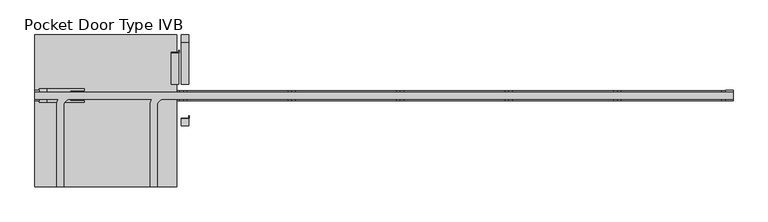
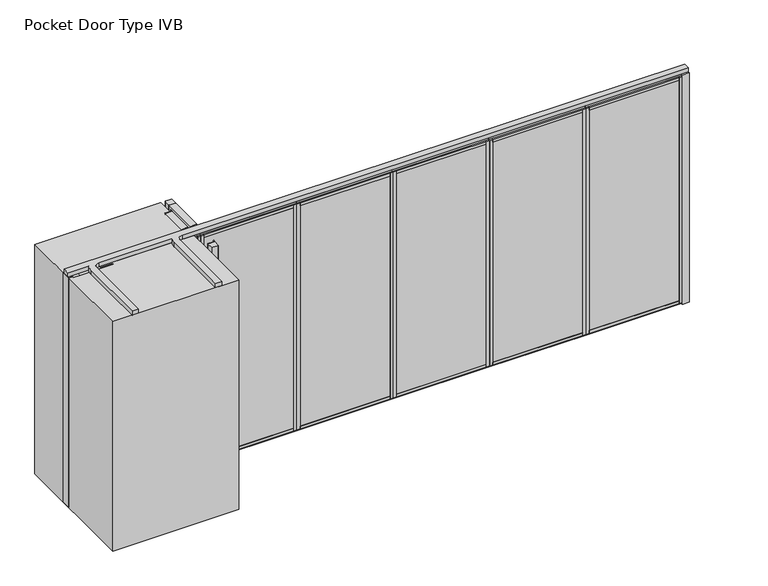
"""IFC4 building model written with IfcOpenShell, lengths in millimetres: proxy geometry, Pocket Door Type IVB."""

from ifc_helpers import new_model, si_unit, point, frame, frame_2d, origin, origin_with_axes, place, context, project, spatial, polyline, circle_curve, trimmed, segment, composite_curve, outline, extrude, source, transform, mapped, element, save


def pocket_door_type_ivb_309cc316(model_context):
    return source(origin(), model_context, "Body", "SweptSolid", [
        extrude(outline(polyline([(3307.761883, 34.13125), (4396.2577164, 34.13125), (4396.2577164, -34.13125), (3307.761883, -34.13125), (3307.761883, 34.13125)])), origin_with_axes(), (0.0, 0.0, 1.0), 22.225),
        extrude(outline(polyline([(3307.761883, 34.13125), (4396.2577164, 34.13125), (4396.2577164, -34.13125), (3307.761883, -34.13125), (3307.761883, 34.13125)])), frame((0.0, 0.0, 2720.975), z_axis=(0.0, 0.0, 1.0), x_axis=(1.0, 0.0, 0.0)), (0.0, 0.0, 1.0), 22.225),
        extrude(outline(polyline([(3342.940883, -50.8), (3308.015883, -50.8), (3308.015883, 50.8), (3342.940883, 50.8), (3342.940883, -50.8)])), frame((0.0, 0.0, 22.225), z_axis=(0.0, 0.0, 1.0), x_axis=(1.0, 0.0, 0.0)), (0.0, 0.0, 1.0), 2698.75),
        extrude(outline(polyline([(4361.0787164, -50.8), (4361.0787164, 50.8), (4396.0037164, 50.8), (4396.0037164, -50.8), (4361.0787164, -50.8)])), frame((0.0, 0.0, 22.225), z_axis=(0.0, 0.0, 1.0), x_axis=(1.0, 0.0, 0.0)), (0.0, 0.0, 1.0), 2698.75),
        extrude(outline(polyline([(0.0, 9.525), (1063.0958334, 9.525), (1063.0958334, 0.0), (0.0, 0.0), (0.0, 9.525)])), frame((4383.5577164, -36.5125, 52.3875), z_axis=(0.0, 1.4530598946293796e-12, 1.0), x_axis=(-1.0, 0.0, 0.0)), (0.0, 0.0, 1.0), 2638.425),
        extrude(outline(polyline([(0.0, 7.9375), (1063.0958334, 7.9375), (1063.0958334, 0.0), (0.0, 0.0), (0.0, 7.9375)])), frame((4383.5577164, 44.45, 52.3875), z_axis=(0.0, -1.775646296664526e-12, 1.0), x_axis=(-1.0, 0.0, 0.0)), (0.0, 0.0, 1.0), 2638.425),
        extrude(outline(polyline([(36.5125, 2605.0875), (-36.5125, 2605.0875), (-36.5125, 2690.8125), (-50.8, 2690.8125), (-50.8, 2720.975), (50.8, 2720.975), (50.8, 2690.8125), (36.5125, 2690.8125), (36.5125, 2605.0875)])), frame((3342.940883, 0.0, 0.0), z_axis=(1.0, 0.0, 0.0), x_axis=(0.0, 1.0, 0.0)), (0.0, 0.0, 1.0), 1018.1378333),
        extrude(outline(polyline([(50.8, 22.225), (-50.8, 22.225), (-50.8, 52.3875), (-36.5125, 52.3875), (-36.5125, 138.1125), (36.5125, 138.1125), (36.5125, 52.3875), (50.8, 52.3875), (50.8, 22.225)])), frame((3342.940883, 0.0, 0.0), z_axis=(1.0, 0.0, 0.0), x_axis=(0.0, 1.0, 0.0)), (0.0, 0.0, 1.0), 1018.1378333),
        extrude(outline(polyline([(2219.2660497, 34.13125), (3307.761883, 34.13125), (3307.761883, -34.13125), (2219.2660497, -34.13125), (2219.2660497, 34.13125)])), origin_with_axes(), (0.0, 0.0, 1.0), 22.225),
        extrude(outline(polyline([(2219.2660497, 34.13125), (3307.761883, 34.13125), (3307.761883, -34.13125), (2219.2660497, -34.13125), (2219.2660497, 34.13125)])), frame((0.0, 0.0, 2720.975), z_axis=(0.0, 0.0, 1.0), x_axis=(1.0, 0.0, 0.0)), (0.0, 0.0, 1.0), 22.225),
        extrude(outline(polyline([(2254.4450497, -50.8), (2219.5200497, -50.8), (2219.5200497, 50.8), (2254.4450497, 50.8), (2254.4450497, -50.8)])), frame((0.0, 0.0, 22.225), z_axis=(0.0, 0.0, 1.0), x_axis=(1.0, 0.0, 0.0)), (0.0, 0.0, 1.0), 2698.75),
        extrude(outline(polyline([(3272.582883, -50.8), (3272.582883, 50.8), (3307.507883, 50.8), (3307.507883, -50.8), (3272.582883, -50.8)])), frame((0.0, 0.0, 22.225), z_axis=(0.0, 0.0, 1.0), x_axis=(1.0, 0.0, 0.0)), (0.0, 0.0, 1.0), 2698.75),
        extrude(outline(polyline([(0.0, 9.525), (1063.0958333, 9.525), (1063.0958333, 0.0), (0.0, 0.0), (0.0, 9.525)])), frame((3295.061883, -36.5125, 52.3875), z_axis=(0.0, 1.4530598946293796e-12, 1.0), x_axis=(-1.0, 0.0, 0.0)), (0.0, 0.0, 1.0), 2638.425),
        extrude(outline(polyline([(0.0, 7.9375), (1063.0958333, 7.9375), (1063.0958333, 0.0), (0.0, 0.0), (0.0, 7.9375)])), frame((3295.061883, 44.45, 52.3875), z_axis=(0.0, -1.775646296664526e-12, 1.0), x_axis=(-1.0, 0.0, 0.0)), (0.0, 0.0, 1.0), 2638.425),
        extrude(outline(polyline([(36.5125, 2605.0875), (-36.5125, 2605.0875), (-36.5125, 2690.8125), (-50.8, 2690.8125), (-50.8, 2720.975), (50.8, 2720.975), (50.8, 2690.8125), (36.5125, 2690.8125), (36.5125, 2605.0875)])), frame((2254.4450497, 0.0, 0.0), z_axis=(1.0, 0.0, 0.0), x_axis=(0.0, 1.0, 0.0)), (0.0, 0.0, 1.0), 1018.1378333),
        extrude(outline(polyline([(50.8, 22.225), (-50.8, 22.225), (-50.8, 52.3875), (-36.5125, 52.3875), (-36.5125, 138.1125), (36.5125, 138.1125), (36.5125, 52.3875), (50.8, 52.3875), (50.8, 22.225)])), frame((2254.4450497, 0.0, 0.0), z_axis=(1.0, 0.0, 0.0), x_axis=(0.0, 1.0, 0.0)), (0.0, 0.0, 1.0), 1018.1378333),
        extrude(outline(polyline([(1130.7702164, 34.13125), (2219.2660497, 34.13125), (2219.2660497, -34.13125), (1130.7702164, -34.13125), (1130.7702164, 34.13125)])), origin_with_axes(), (0.0, 0.0, 1.0), 22.225),
        extrude(outline(polyline([(1130.7702164, 34.13125), (2219.2660497, 34.13125), (2219.2660497, -34.13125), (1130.7702164, -34.13125), (1130.7702164, 34.13125)])), frame((0.0, 0.0, 2720.975), z_axis=(0.0, 0.0, 1.0), x_axis=(1.0, 0.0, 0.0)), (0.0, 0.0, 1.0), 22.225),
        extrude(outline(polyline([(1165.9492164, -50.8), (1131.0242164, -50.8), (1131.0242164, 50.8), (1165.9492164, 50.8), (1165.9492164, -50.8)])), frame((0.0, 0.0, 22.225), z_axis=(0.0, 0.0, 1.0), x_axis=(1.0, 0.0, 0.0)), (0.0, 0.0, 1.0), 2698.75),
        extrude(outline(polyline([(2184.0870497, -50.8), (2184.0870497, 50.8), (2219.0120497, 50.8), (2219.0120497, -50.8), (2184.0870497, -50.8)])), frame((0.0, 0.0, 22.225), z_axis=(0.0, 0.0, 1.0), x_axis=(1.0, 0.0, 0.0)), (0.0, 0.0, 1.0), 2698.75),
        extrude(outline(polyline([(0.0, 9.525), (1063.0958333, 9.525), (1063.0958333, 0.0), (0.0, 0.0), (0.0, 9.525)])), frame((2206.5660497, -36.5125, 52.3875), z_axis=(0.0, 1.4530598946293796e-12, 1.0), x_axis=(-1.0, 0.0, 0.0)), (0.0, 0.0, 1.0), 2638.425),
        extrude(outline(polyline([(0.0, 7.9375), (1063.0958333, 7.9375), (1063.0958333, 0.0), (0.0, 0.0), (0.0, 7.9375)])), frame((2206.5660497, 44.45, 52.3875), z_axis=(0.0, -1.775646296664526e-12, 1.0), x_axis=(-1.0, 0.0, 0.0)), (0.0, 0.0, 1.0), 2638.425),
        extrude(outline(polyline([(36.5125, 2605.0875), (-36.5125, 2605.0875), (-36.5125, 2690.8125), (-50.8, 2690.8125), (-50.8, 2720.975), (50.8, 2720.975), (50.8, 2690.8125), (36.5125, 2690.8125), (36.5125, 2605.0875)])), frame((1165.9492164, 0.0, 0.0), z_axis=(1.0, 0.0, 0.0), x_axis=(0.0, 1.0, 0.0)), (0.0, 0.0, 1.0), 1018.1378333),
        extrude(outline(polyline([(50.8, 22.225), (-50.8, 22.225), (-50.8, 52.3875), (-36.5125, 52.3875), (-36.5125, 138.1125), (36.5125, 138.1125), (36.5125, 52.3875), (50.8, 52.3875), (50.8, 22.225)])), frame((1165.9492164, 0.0, 0.0), z_axis=(1.0, 0.0, 0.0), x_axis=(0.0, 1.0, 0.0)), (0.0, 0.0, 1.0), 1018.1378333),
        extrude(outline(polyline([(4396.2577164, 34.13125), (5484.7535497, 34.13125), (5484.7535497, -34.13125), (4396.2577164, -34.13125), (4396.2577164, 34.13125)])), origin_with_axes(), (0.0, 0.0, 1.0), 22.225),
        extrude(outline(polyline([(4396.2577164, 34.13125), (5484.7535497, 34.13125), (5484.7535497, -34.13125), (4396.2577164, -34.13125), (4396.2577164, 34.13125)])), frame((0.0, 0.0, 2720.975), z_axis=(0.0, 0.0, 1.0), x_axis=(1.0, 0.0, 0.0)), (0.0, 0.0, 1.0), 22.225),
        extrude(outline(polyline([(4431.4367164, -50.8), (4396.5117164, -50.8), (4396.5117164, 50.8), (4431.4367164, 50.8), (4431.4367164, -50.8)])), frame((0.0, 0.0, 22.225), z_axis=(0.0, 0.0, 1.0), x_axis=(1.0, 0.0, 0.0)), (0.0, 0.0, 1.0), 2698.75),
        extrude(outline(polyline([(5449.5745497, -50.8), (5449.5745497, 50.8), (5484.4995497, 50.8), (5484.4995497, -50.8), (5449.5745497, -50.8)])), frame((0.0, 0.0, 22.225), z_axis=(0.0, 0.0, 1.0), x_axis=(1.0, 0.0, 0.0)), (0.0, 0.0, 1.0), 2698.75),
        extrude(outline(polyline([(0.0, 9.525), (1063.0958333, 9.525), (1063.0958333, 0.0), (0.0, 0.0), (0.0, 9.525)])), frame((5472.0535497, -36.5125, 52.3875), z_axis=(0.0, 1.4530598946293796e-12, 1.0), x_axis=(-1.0, 0.0, 0.0)), (0.0, 0.0, 1.0), 2638.425),
        extrude(outline(polyline([(0.0, 7.9375), (1063.0958333, 7.9375), (1063.0958333, 0.0), (0.0, 0.0), (0.0, 7.9375)])), frame((5472.0535497, 44.45, 52.3875), z_axis=(0.0, -1.775646296664526e-12, 1.0), x_axis=(-1.0, 0.0, 0.0)), (0.0, 0.0, 1.0), 2638.425),
        extrude(outline(polyline([(36.5125, 2605.0875), (-36.5125, 2605.0875), (-36.5125, 2690.8125), (-50.8, 2690.8125), (-50.8, 2720.975), (50.8, 2720.975), (50.8, 2690.8125), (36.5125, 2690.8125), (36.5125, 2605.0875)])), frame((4431.4367164, 0.0, 0.0), z_axis=(1.0, 0.0, 0.0), x_axis=(0.0, 1.0, 0.0)), (0.0, 0.0, 1.0), 1018.1378333),
        extrude(outline(polyline([(50.8, 22.225), (-50.8, 22.225), (-50.8, 52.3875), (-36.5125, 52.3875), (-36.5125, 138.1125), (36.5125, 138.1125), (36.5125, 52.3875), (50.8, 52.3875), (50.8, 22.225)])), frame((4431.4367164, 0.0, 0.0), z_axis=(1.0, 0.0, 0.0), x_axis=(0.0, 1.0, 0.0)), (0.0, 0.0, 1.0), 1018.1378333),
        extrude(outline(polyline([(-4.8214503, 434.975), (-4.8214503, 457.2), (-1.6464503, 457.2), (-1.6464503, 431.8), (-81.0214503, 431.8), (-81.0214503, 434.975), (-4.8214503, 434.975)])), origin_with_axes(), (0.0, 0.0, 1.0), 2743.2),
        extrude(outline(composite_curve([segment(trimmed(circle_curve(frame_2d((-78.6882434, 429.4667931)), 2.3332069), [point((-81.0214503, 429.4667931))], [point((-78.6882434, 431.8))], False, "CARTESIAN"), True, "CONTINUOUS"), segment(polyline([(-78.6882434, 431.8), (-7.1546571, 431.8)]), True, "CONTINUOUS"), segment(trimmed(circle_curve(frame_2d((-7.1546571, 429.4667931)), 2.3332069), [point((-7.1546571, 431.8))], [point((-4.8214503, 429.4667931))], False, "CARTESIAN"), True, "CONTINUOUS"), segment(polyline([(-4.8214503, 429.4667931), (-4.8214503, 116.6332069)]), True, "CONTINUOUS"), segment(trimmed(circle_curve(frame_2d((-7.1546571, 116.6332069)), 2.3332069), [point((-4.8214503, 116.6332069))], [point((-7.1546571, 114.3))], False, "CARTESIAN"), True, "CONTINUOUS"), segment(polyline([(-7.1546571, 114.3), (-78.6882434, 114.3)]), True, "CONTINUOUS"), segment(trimmed(circle_curve(frame_2d((-78.6882434, 116.6332069)), 2.3332069), [point((-78.6882434, 114.3))], [point((-81.0214503, 116.6332069))], False, "CARTESIAN"), True, "CONTINUOUS"), segment(polyline([(-81.0214503, 116.6332069), (-81.0214503, 429.4667931)]), True, "CONTINUOUS")], self_intersect=False)), origin_with_axes(), (0.0, 0.0, 1.0), 2743.2),
        extrude(outline(polyline([(96.7785497, -225.425), (96.7785497, -203.2), (99.9535497, -203.2), (99.9535497, -228.6), (20.5785497, -228.6), (20.5785497, -225.425), (96.7785497, -225.425)])), origin_with_axes(), (0.0, 0.0, 1.0), 2743.2),
        extrude(outline(composite_curve([segment(trimmed(circle_curve(frame_2d((94.4453429, -302.4667931)), 2.3332069), [point((96.7785497, -302.4667931))], [point((94.4453429, -304.8))], False, "CARTESIAN"), True, "CONTINUOUS"), segment(polyline([(94.4453429, -304.8), (22.9117566, -304.8)]), True, "CONTINUOUS"), segment(trimmed(circle_curve(frame_2d((22.9117566, -302.4667931)), 2.3332069), [point((22.9117566, -304.8))], [point((20.5785497, -302.4667931))], False, "CARTESIAN"), True, "CONTINUOUS"), segment(polyline([(20.5785497, -302.4667931), (20.5785497, -230.9332069)]), True, "CONTINUOUS"), segment(trimmed(circle_curve(frame_2d((22.9117566, -230.9332069)), 2.3332069), [point((20.5785497, -230.9332069))], [point((22.9117566, -228.6))], False, "CARTESIAN"), True, "CONTINUOUS"), segment(polyline([(22.9117566, -228.6), (94.4453429, -228.6)]), True, "CONTINUOUS"), segment(trimmed(circle_curve(frame_2d((94.4453429, -230.9332069)), 2.3332069), [point((94.4453429, -228.6))], [point((96.7785497, -230.9332069))], False, "CARTESIAN"), True, "CONTINUOUS"), segment(polyline([(96.7785497, -230.9332069), (96.7785497, -302.4667931)]), True, "CONTINUOUS")], self_intersect=False)), origin_with_axes(), (0.0, 0.0, 1.0), 2743.2),
        extrude(outline(composite_curve([segment(trimmed(circle_curve(frame_2d((94.4453429, 535.7332069)), 2.3332069), [point((96.7785497, 535.7332069))], [point((94.4453429, 533.4))], False, "CARTESIAN"), True, "CONTINUOUS"), segment(polyline([(94.4453429, 533.4), (22.9117566, 533.4)]), True, "CONTINUOUS"), segment(trimmed(circle_curve(frame_2d((22.9117566, 535.7332069)), 2.3332069), [point((22.9117566, 533.4))], [point((20.5785497, 535.7332069))], False, "CARTESIAN"), True, "CONTINUOUS"), segment(polyline([(20.5785497, 535.7332069), (20.5785497, 607.2667931)]), True, "CONTINUOUS"), segment(trimmed(circle_curve(frame_2d((22.9117566, 607.2667931)), 2.3332069), [point((20.5785497, 607.2667931))], [point((22.9117566, 609.6))], False, "CARTESIAN"), True, "CONTINUOUS"), segment(polyline([(22.9117566, 609.6), (94.4453429, 609.6)]), True, "CONTINUOUS"), segment(trimmed(circle_curve(frame_2d((94.4453429, 607.2667931)), 2.3332069), [point((94.4453429, 609.6))], [point((96.7785497, 607.2667931))], False, "CARTESIAN"), True, "CONTINUOUS"), segment(polyline([(96.7785497, 607.2667931), (96.7785497, 535.7332069)]), True, "CONTINUOUS")], self_intersect=False)), origin_with_axes(), (0.0, 0.0, 1.0), 2743.2),
        extrude(outline(composite_curve([segment(trimmed(circle_curve(frame_2d((94.4453429, 116.6332069)), 2.3332069), [point((96.7785497, 116.6332069))], [point((94.4453429, 114.3))], False, "CARTESIAN"), True, "CONTINUOUS"), segment(polyline([(94.4453429, 114.3), (22.9117566, 114.3)]), True, "CONTINUOUS"), segment(trimmed(circle_curve(frame_2d((22.9117566, 116.6332069)), 2.3332069), [point((22.9117566, 114.3))], [point((20.5785497, 116.6332069))], False, "CARTESIAN"), True, "CONTINUOUS"), segment(polyline([(20.5785497, 116.6332069), (20.5785497, 531.0667931)]), True, "CONTINUOUS"), segment(trimmed(circle_curve(frame_2d((22.9117566, 531.0667931)), 2.3332069), [point((20.5785497, 531.0667931))], [point((22.9117566, 533.4))], False, "CARTESIAN"), True, "CONTINUOUS"), segment(polyline([(22.9117566, 533.4), (94.4453429, 533.4)]), True, "CONTINUOUS"), segment(trimmed(circle_curve(frame_2d((94.4453429, 531.0667931)), 2.3332069), [point((94.4453429, 533.4))], [point((96.7785497, 531.0667931))], False, "CARTESIAN"), True, "CONTINUOUS"), segment(polyline([(96.7785497, 531.0667931), (96.7785497, 116.6332069)]), True, "CONTINUOUS")], self_intersect=False)), origin_with_axes(), (0.0, 0.0, 1.0), 2743.2),
        extrude(outline(polyline([(-44.846875, 914.4), (-44.846875, 952.5), (-50.8, 952.5), (-50.8, 1143.0), (-44.846875, 1143.0), (-44.846875, 1181.1), (0.0, 1181.1), (46.2359375, 1181.1), (46.2359375, 1143.0), (50.8, 1143.0), (50.8, 952.5), (46.2359375, 952.5), (46.2359375, 914.4), (0.0, 914.4), (-44.846875, 914.4)])), frame((-1058.6674503, 0.0, 0.0), z_axis=(1.0, 0.0, 0.0), x_axis=(0.0, 1.0, 0.0)), (0.0, 0.0, 1.0), 1065.7628333),
        extrude(outline(polyline([(42.274383, -34.13125), (-1093.8464503, -34.13125), (-1093.8464503, 34.13125), (42.274383, 34.13125), (42.274383, -34.13125)])), origin_with_axes(), (0.0, 0.0, 1.0), 22.225),
        extrude(outline(polyline([(42.274383, -34.13125), (-1093.8464503, -34.13125), (-1093.8464503, 34.13125), (42.274383, 34.13125), (42.274383, -34.13125)])), frame((0.0, 0.0, 2720.975), z_axis=(0.0, 0.0, 1.0), x_axis=(1.0, 0.0, 0.0)), (0.0, 0.0, 1.0), 22.225),
        extrude(outline(polyline([(7.095383, 50.8), (42.020383, 50.8), (42.020383, -50.8), (7.095383, -50.8), (7.095383, 50.8)])), frame((0.0, 0.0, 22.225), z_axis=(0.0, 0.0, 1.0), x_axis=(1.0, 0.0, 0.0)), (0.0, 0.0, 1.0), 2698.75),
        extrude(outline(polyline([(-1058.6674503, 50.8), (-1058.6674503, -50.8), (-1093.5924503, -50.8), (-1093.5924503, 50.8), (-1058.6674503, 50.8)])), frame((0.0, 0.0, 22.225), z_axis=(0.0, 0.0, 1.0), x_axis=(1.0, 0.0, 0.0)), (0.0, 0.0, 1.0), 2698.75),
        extrude(outline(polyline([(0.0, 9.525), (1110.7208333, 9.525), (1110.7208333, 0.0), (0.0, 0.0), (0.0, 9.525)])), frame((-1081.1464503, 36.5125, 52.3875), z_axis=(0.0, -1.4530598946293796e-12, 1.0), x_axis=(1.0, 0.0, 0.0)), (0.0, 0.0, 1.0), 2638.425),
        extrude(outline(polyline([(0.0, 7.9375), (1110.7208333, 7.9375), (1110.7208333, 0.0), (0.0, 0.0), (0.0, 7.9375)])), frame((-1081.1464503, -44.45, 52.3875), z_axis=(0.0, 1.775646296664526e-12, 1.0), x_axis=(1.0, 0.0, 0.0)), (0.0, 0.0, 1.0), 2638.425),
        extrude(outline(polyline([(-36.5125, 2605.0875), (-36.5125, 2690.8125), (-50.8, 2690.8125), (-50.8, 2720.975), (50.8, 2720.975), (50.8, 2690.8125), (36.5125, 2690.8125), (36.5125, 2605.0875), (-36.5125, 2605.0875)])), frame((-1058.6674503, 0.0, 0.0), z_axis=(1.0, 0.0, 0.0), x_axis=(0.0, 1.0, 0.0)), (0.0, 0.0, 1.0), 1065.7628333),
        extrude(outline(polyline([(-50.8, 22.225), (-50.8, 52.3875), (-36.5125, 52.3875), (-36.5125, 138.1125), (36.5125, 138.1125), (36.5125, 52.3875), (50.8, 52.3875), (50.8, 22.225), (-50.8, 22.225)])), frame((-1058.6674503, 0.0, 0.0), z_axis=(1.0, 0.0, 0.0), x_axis=(0.0, 1.0, 0.0)), (0.0, 0.0, 1.0), 1065.7628333),
        extrude(outline(polyline([(-1404.9964503, -53.975), (-1449.4464503, -53.975), (-1449.4464503, 53.975), (-1404.9964503, 53.975), (-1404.9964503, -53.975)])), origin_with_axes(), (0.0, 0.0, 1.0), 2743.2),
        extrude(outline(polyline([(-1331.9714503, -68.2625), (-1404.9964503, -68.2625), (-1404.9964503, 68.2625), (-1331.9714503, 68.2625), (-1331.9714503, -68.2625)])), origin_with_axes(), (0.0, 0.0, 1.0), 2743.2),
        extrude(outline(polyline([(-954.1464503, -68.2625), (-1331.9714503, -68.2625), (-1331.9714503, 68.2625), (-954.1464503, 68.2625), (-954.1464503, 50.8), (-1093.8464503, 50.8), (-1093.8464503, -50.8), (-954.1464503, -50.8), (-954.1464503, -68.2625)])), origin_with_axes(), (0.0, 0.0, 1.0), 2743.2),
        extrude(outline(polyline([(5560.9535497, -53.975), (5484.7535497, -53.975), (5484.7535497, 53.975), (5560.9535497, 53.975), (5560.9535497, -53.975)])), origin_with_axes(), (0.0, 0.0, 1.0), 2743.2),
        extrude(outline(polyline([(42.274383, 34.13125), (1130.7702164, 34.13125), (1130.7702164, -34.13125), (42.274383, -34.13125), (42.274383, 34.13125)])), origin_with_axes(), (0.0, 0.0, 1.0), 22.225),
        extrude(outline(polyline([(42.274383, 34.13125), (1130.7702164, 34.13125), (1130.7702164, -34.13125), (42.274383, -34.13125), (42.274383, 34.13125)])), frame((0.0, 0.0, 2720.975), z_axis=(0.0, 0.0, 1.0), x_axis=(1.0, 0.0, 0.0)), (0.0, 0.0, 1.0), 22.225),
        extrude(outline(polyline([(77.453383, -50.8), (42.528383, -50.8), (42.528383, 50.8), (77.453383, 50.8), (77.453383, -50.8)])), frame((0.0, 0.0, 22.225), z_axis=(0.0, 0.0, 1.0), x_axis=(1.0, 0.0, 0.0)), (0.0, 0.0, 1.0), 2698.75),
        extrude(outline(polyline([(1095.5912164, -50.8), (1095.5912164, 50.8), (1130.5162164, 50.8), (1130.5162164, -50.8), (1095.5912164, -50.8)])), frame((0.0, 0.0, 22.225), z_axis=(0.0, 0.0, 1.0), x_axis=(1.0, 0.0, 0.0)), (0.0, 0.0, 1.0), 2698.75),
        extrude(outline(polyline([(0.0, 9.525), (1063.0958334, 9.525), (1063.0958334, 0.0), (0.0, 0.0), (0.0, 9.525)])), frame((1118.0702164, -36.5125, 52.3875), z_axis=(0.0, 1.4530598946293796e-12, 1.0), x_axis=(-1.0, 0.0, 0.0)), (0.0, 0.0, 1.0), 2638.425),
        extrude(outline(polyline([(0.0, 7.9375), (1063.0958334, 7.9375), (1063.0958334, 0.0), (0.0, 0.0), (0.0, 7.9375)])), frame((1118.0702164, 44.45, 52.3875), z_axis=(0.0, -1.775646296664526e-12, 1.0), x_axis=(-1.0, 0.0, 0.0)), (0.0, 0.0, 1.0), 2638.425),
        extrude(outline(polyline([(36.5125, 2605.0875), (-36.5125, 2605.0875), (-36.5125, 2690.8125), (-50.8, 2690.8125), (-50.8, 2720.975), (50.8, 2720.975), (50.8, 2690.8125), (36.5125, 2690.8125), (36.5125, 2605.0875)])), frame((77.453383, 0.0, 0.0), z_axis=(1.0, 0.0, 0.0), x_axis=(0.0, 1.0, 0.0)), (0.0, 0.0, 1.0), 1018.1378333),
        extrude(outline(polyline([(50.8, 22.225), (-50.8, 22.225), (-50.8, 52.3875), (-36.5125, 52.3875), (-36.5125, 138.1125), (36.5125, 138.1125), (36.5125, 52.3875), (50.8, 52.3875), (50.8, 22.225)])), frame((77.453383, 0.0, 0.0), z_axis=(1.0, 0.0, 0.0), x_axis=(0.0, 1.0, 0.0)), (0.0, 0.0, 1.0), 1018.1378333),
        extrude(outline(polyline([(-27.0464503, 609.6), (-27.0464503, -914.4), (-1449.4464503, -914.4), (-1449.4464503, 609.6), (-27.0464503, 609.6)])), origin_with_axes(), (0.0, 0.0, 1.0), 2743.2),
        extrude(outline(composite_curve([segment(polyline([(-1449.4464503, 35.71875), (5560.9535497, 35.71875), (5560.9535497, -35.71875), (-154.0464503, -35.71875)]), True, "CONTINUOUS"), segment(trimmed(circle_curve(frame_2d((-154.0464503, -101.6)), 65.88125), [point((-154.0464503, -35.71875))], [point((-219.9277003, -101.6))], True, "CARTESIAN"), True, "CONTINUOUS"), segment(polyline([(-219.9277003, -101.6), (-219.9277003, -914.4), (-291.3652003, -914.4), (-291.3652003, -101.6)]), True, "CONTINUOUS"), segment(trimmed(circle_curve(frame_2d((-154.0464503, -101.6)), 137.31875), [point((-291.3652003, -101.6))], [point((-274.5292291, -35.71875))], False, "CARTESIAN"), True, "CONTINUOUS"), segment(polyline([(-274.5292291, -35.71875), (-1093.8464503, -35.71875)]), True, "CONTINUOUS"), segment(trimmed(circle_curve(frame_2d((-1093.8464503, -101.6)), 65.88125), [point((-1093.8464503, -35.71875))], [point((-1159.7277003, -101.6))], True, "CARTESIAN"), True, "CONTINUOUS"), segment(polyline([(-1159.7277003, -101.6), (-1159.7277003, -914.4), (-1231.1652003, -914.4), (-1231.1652003, -101.6)]), True, "CONTINUOUS"), segment(trimmed(circle_curve(frame_2d((-1093.8464503, -101.6)), 137.31875), [point((-1231.1652003, -101.6))], [point((-1214.3292291, -35.71875))], False, "CARTESIAN"), True, "CONTINUOUS"), segment(polyline([(-1214.3292291, -35.71875), (-1449.4464503, -35.71875), (-1449.4464503, 35.71875)]), True, "CONTINUOUS")], self_intersect=False)), frame((0.0, 0.0, 2743.2), z_axis=(0.0, 0.0, 1.0), x_axis=(1.0, 0.0, 0.0)), (0.0, 0.0, 1.0), 50.8),
    ])


if __name__ == "__main__":
    model = new_model("IFC4")
    model_context = context("Model", 3, world=origin())
    ifc_project = project(units=[si_unit("LENGTHUNIT", "METRE", prefix="MILLI")], contexts=[model_context])
    site = spatial("IfcSite", under=ifc_project)
    building = spatial("IfcBuilding", under=site)
    placement = place(None, origin())
    pocket_door_type_ivb_shape = pocket_door_type_ivb_309cc316(model_context)
    element("IfcBuildingElementProxy", 1, Name="Pocket Door Type IVB", ObjectType="Pocket Door Type IVB", at=placement, inside=building, context=model_context, shape_type="MappedRepresentation", body=[
        mapped(pocket_door_type_ivb_shape, transform((0.0, 0.0, 0.0), x_axis=(1.0, 0.0, 0.0), y_axis=(0.0, 1.0, 0.0), z_axis=(0.0, 0.0, 1.0))),
    ])
    save(model, "model.ifc")
